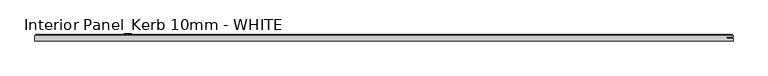
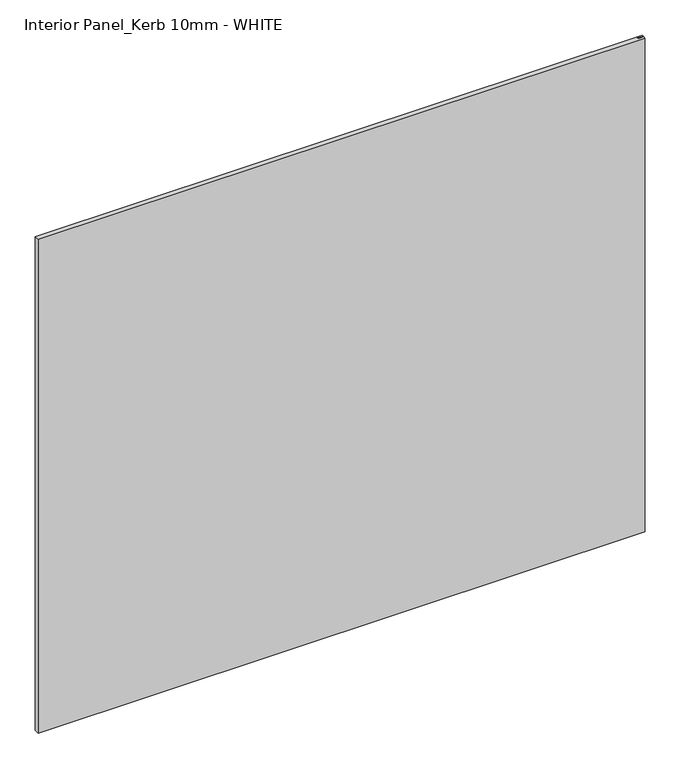
"""IFC4 building model written with IfcOpenShell, lengths in millimetres: proxy geometry, Interior Panel_Kerb 10mm - WHITE."""

from ifc_helpers import new_model, si_unit, origin, place, context, project, spatial, faceted_brep, source, transform, mapped, element, save


def interior_panel_kerb_10mm_white_00bdd463(model_context):
    return source(origin(), model_context, "Body", "Brep", [
        faceted_brep([(990.6, -3.175, 914.4), (990.6, 0.5207, 914.4), (980.7773437, 0.5207, 914.4), (980.7773437, 2.6543, 914.4), (990.6, 2.6543, 914.4), (990.6, 4.7625, 914.4), (-73.025, 4.7625, 914.4), (-73.025, -3.175, 914.4), (990.6, -3.175, 0.0), (-73.025, -3.175, 0.0), (-73.025, 4.7625, 0.0), (990.6, 4.7625, 0.0), (990.6, 2.6543, 0.0), (980.7773437, 2.6543, 0.0), (980.7773437, 0.5207, 0.0), (990.6, 0.5207, 0.0), (-71.4375, 6.35, 912.8125), (989.0125, 6.35, 912.8125), (989.0125, 6.35, 1.5875), (-71.4375, 6.35, 1.5875)], [[[0, 1, 2, 3, 4, 5, 6, 7]], [[8, 9, 10, 11, 12, 13, 14, 15]], [[7, 9, 8, 0]], [[6, 10, 9, 7]], [[16, 17, 18, 19]], [[4, 12, 11, 5]], [[6, 16, 19, 10]], [[11, 18, 17, 5]], [[5, 17, 16, 6]], [[10, 19, 18, 11]], [[3, 13, 12, 4]], [[2, 14, 13, 3]], [[1, 15, 14, 2]], [[0, 8, 15, 1]]]),
    ])


if __name__ == "__main__":
    model = new_model("IFC4")
    model_context = context("Model", 3, world=origin())
    ifc_project = project(units=[si_unit("LENGTHUNIT", "METRE", prefix="MILLI")], contexts=[model_context])
    site = spatial("IfcSite", under=ifc_project)
    building = spatial("IfcBuilding", under=site)
    placement = place(None, origin())
    interior_panel_kerb_10mm_white_shape = interior_panel_kerb_10mm_white_00bdd463(model_context)
    element("IfcBuildingElementProxy", 1, Name="Interior Panel_Kerb 10mm - WHITE", ObjectType="Interior Panel_Kerb 10mm - WHITE", at=placement, inside=building, context=model_context, shape_type="MappedRepresentation", body=[
        mapped(interior_panel_kerb_10mm_white_shape, transform((0.0, 0.0, 0.0), x_axis=(1.0, 0.0, 0.0), y_axis=(0.0, 1.0, 0.0), z_axis=(0.0, 0.0, 1.0))),
    ])
    save(model, "model.ifc")
